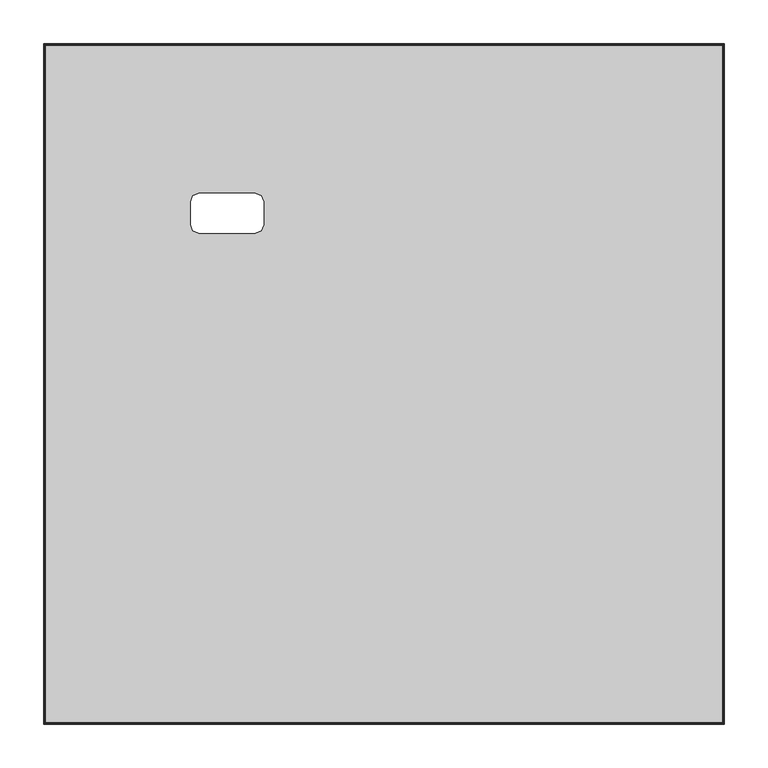
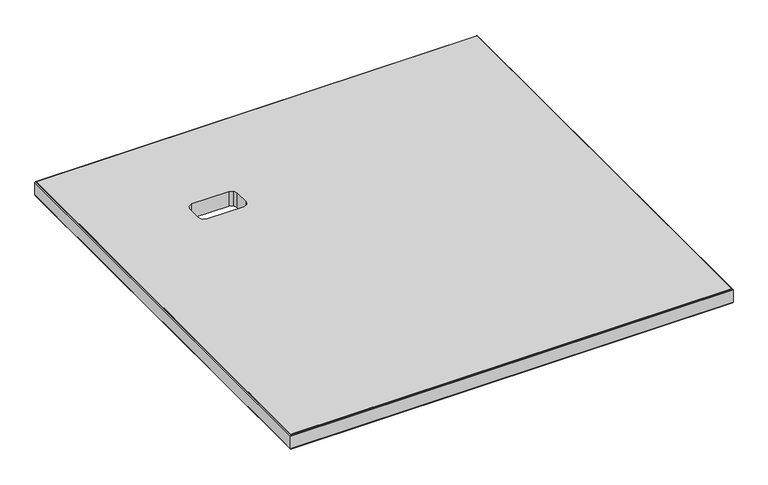
"""IFC4 building model written with IfcOpenShell, lengths in millimetres: furniture geometry."""

import ifcopenshell
import ifcopenshell.guid

model = None  # the IFC model being written
_history = None  # IfcOwnerHistory: only IFC2X3 demands one
_inside = {}  # id of a spatial element -> (the spatial element, [elements in it])
_under = {}  # id of a project, library or spatial element -> (it, [spatial elements below it])
_declared = {}  # id of a project -> (the project, [libraries it declares])
_typed = {}  # id of a type object -> (the type object, [elements of that type])
_made_of = {}  # id of a material, layer set ... -> (it, [elements and type objects made of it])


def new_model(schema):
    """Start an empty IFC model of exactly this schema.

    Asked for "IFC4X3", IfcOpenShell would pick the latest addendum, in which some entities
    have other attributes; the version numbers below select the first issue.
    IFC2X3 requires an IfcOwnerHistory on every rooted entity: one is made here for all.
    """
    global model, _history
    if schema == "IFC4X3":
        model = ifcopenshell.file(schema_version=(4, 3, 0, 0))
    else:
        model = ifcopenshell.file(schema=schema)
    _inside.clear()
    _under.clear()
    _declared.clear()
    _typed.clear()
    _made_of.clear()
    _history = None
    if model.schema == "IFC2X3":
        org = make("IfcOrganization", Name="unknown")
        user = make(
            "IfcPersonAndOrganization",
            ThePerson=make("IfcPerson", FamilyName="unknown"),
            TheOrganization=org,
        )
        app = make(
            "IfcApplication",
            ApplicationDeveloper=org,
            Version="unknown",
            ApplicationFullName="unknown",
            ApplicationIdentifier="unknown",
        )
        _history = make(
            "IfcOwnerHistory",
            OwningUser=user,
            OwningApplication=app,
            ChangeAction="ADDED",
            CreationDate=0,
        )
    return model


def make(cls, **values):
    """One entity of the class cls with the attributes given. An attribute that is None is left unset."""
    return model.create_entity(
        cls, **{name: value for name, value in values.items() if value is not None}
    )


def rooted(cls, **values):
    """An entity with a GlobalId (a new one), such as an element, a storey or a relation."""
    return make(cls, GlobalId=ifcopenshell.guid.new(), OwnerHistory=_history, **values)


def si_unit(unit_type, name, prefix=None):
    """IfcSIUnit, for example si_unit("LENGTHUNIT", "METRE", prefix="MILLI")."""
    return make("IfcSIUnit", UnitType=unit_type, Prefix=prefix, Name=name)


def assignment(units):
    """IfcUnitAssignment: the units of a project."""
    return None if units is None else make("IfcUnitAssignment", Units=units)


def point(xyz):
    """IfcCartesianPoint."""
    return None if xyz is None else make("IfcCartesianPoint", Coordinates=xyz)


def direction(xyz):
    """IfcDirection."""
    return None if xyz is None else make("IfcDirection", DirectionRatios=xyz)


def frame(location, z_axis=None, x_axis=None):
    """IfcAxis2Placement3D, a coordinate frame: its origin and axes. An axis left out is left unset."""
    return make(
        "IfcAxis2Placement3D",
        Location=point(location),
        Axis=direction(z_axis),
        RefDirection=direction(x_axis),
    )


def origin():
    """The frame at (0, 0, 0) with its axes left unset."""
    return frame((0.0, 0.0, 0.0))


def place(relative_to, where):
    """IfcLocalPlacement: puts the frame where relative to a parent placement (None: the world)."""
    return make(
        "IfcLocalPlacement", PlacementRelTo=relative_to, RelativePlacement=where
    )


def context(
    kind, dimensions, precision=None, world=None, true_north=None, identifier=None
):
    """IfcGeometricRepresentationContext, for example the 3D "Model" context."""
    return make(
        "IfcGeometricRepresentationContext",
        ContextIdentifier=identifier,
        ContextType=kind,
        CoordinateSpaceDimension=dimensions,
        Precision=precision,
        WorldCoordinateSystem=world,
        TrueNorth=true_north,
    )


def project(units=None, contexts=None):
    """IfcProject with its units and contexts."""
    return rooted(
        "IfcProject",
        Name="project",
        RepresentationContexts=contexts,
        UnitsInContext=assignment(units),
    )


def spatial(cls, under=None, at=None, **own):
    """A site, building, storey or space (cls), placed at a placement, below another one or the project."""
    s = rooted(cls, ObjectPlacement=at, **own)
    if under is not None:
        _under.setdefault(under.id(), (under, []))[1].append(s)
    return s


def polyline(points):
    """IfcPolyline through the points."""
    return make("IfcPolyline", Points=[point(p) for p in points])


def outline(outer, holes=None, kind="AREA"):
    """IfcArbitraryClosedProfileDef: a profile drawn as a closed curve; with holes, ...WithVoids."""
    if holes is None:
        return make("IfcArbitraryClosedProfileDef", ProfileType=kind, OuterCurve=outer)
    return make(
        "IfcArbitraryProfileDefWithVoids",
        ProfileType=kind,
        OuterCurve=outer,
        InnerCurves=holes,
    )


def extrude(swept, where, along, depth):
    """IfcExtrudedAreaSolid: the profile swept, set in the frame where, extruded along a direction by depth."""
    return make(
        "IfcExtrudedAreaSolid",
        SweptArea=swept,
        Position=where,
        ExtrudedDirection=direction(along),
        Depth=depth,
    )


def faces_of(points, faces, orient=None, outer=None):
    """IfcFace entities. A face is a list of loops; a loop is a list of indices into points, from 0.

    orient and outer hold one flag for each loop. By default every Orientation is true, the
    first loop of a face is its IfcFaceOuterBound and the others are IfcFaceBound.
    """
    made = []
    for i, loops in enumerate(faces):
        bounds = []
        for j, loop in enumerate(loops):
            is_outer = j == 0 if outer is None else outer[i][j]
            bounds.append(
                make(
                    "IfcFaceOuterBound" if is_outer else "IfcFaceBound",
                    Bound=make("IfcPolyLoop", Polygon=[points[k] for k in loop]),
                    Orientation=True if orient is None else orient[i][j],
                )
            )
        made.append(make("IfcFace", Bounds=bounds))
    return made


def faceted_brep(points, faces, orient=None, outer=None, voids=None):
    """IfcFacetedBrep: a solid bounded by flat faces; with voids (closed shells), ...WithVoids."""
    shared = [point(p) for p in points]
    hull = make("IfcClosedShell", CfsFaces=faces_of(shared, faces, orient, outer))
    if voids is None:
        return make("IfcFacetedBrep", Outer=hull)
    return make(
        "IfcFacetedBrepWithVoids",
        Outer=hull,
        Voids=[
            make(cls, CfsFaces=faces_of(shared, fs, o, b)) for cls, fs, o, b in voids
        ],
    )


def shape(context_of_items, identifier, shape_type, items):
    """IfcShapeRepresentation: the items that make up one representation, for example the "Body"."""
    return make(
        "IfcShapeRepresentation",
        ContextOfItems=context_of_items,
        RepresentationIdentifier=identifier,
        RepresentationType=shape_type,
        Items=items,
    )


def source(mapping_origin, context_of_items, identifier, shape_type, items):
    """IfcRepresentationMap: a shape defined once, which mapped items show again and again."""
    return make(
        "IfcRepresentationMap",
        MappingOrigin=mapping_origin,
        MappedRepresentation=shape(context_of_items, identifier, shape_type, items),
    )


def transform(
    local_origin,
    x_axis=None,
    y_axis=None,
    z_axis=None,
    scale=None,
    scale2=None,
    scale3=None,
    uniform=True,
):
    """IfcCartesianTransformationOperator3D, or its non-uniform kind. x_axis, y_axis, z_axis: its Axis1, 2, 3."""
    if uniform:
        return make(
            "IfcCartesianTransformationOperator3D",
            Axis1=direction(x_axis),
            Axis2=direction(y_axis),
            LocalOrigin=point(local_origin),
            Scale=scale,
            Axis3=direction(z_axis),
        )
    return make(
        "IfcCartesianTransformationOperator3DnonUniform",
        Axis1=direction(x_axis),
        Axis2=direction(y_axis),
        LocalOrigin=point(local_origin),
        Scale=scale,
        Axis3=direction(z_axis),
        Scale2=scale2,
        Scale3=scale3,
    )


def mapped(mapping_source, mapping_target):
    """IfcMappedItem: shows the shape of a source again, moved by a transform."""
    return make(
        "IfcMappedItem", MappingSource=mapping_source, MappingTarget=mapping_target
    )


def made_of(thing, what):
    """Note that an element or type object is made of a material, layer set ...; save() writes the relation."""
    if what is not None:
        _made_of.setdefault(what.id(), (what, []))[1].append(thing)
    return thing


def element(
    cls,
    number,
    at=None,
    inside=None,
    cuts=None,
    type_object=None,
    material=None,
    context=None,
    identifier="Body",
    shape_type=None,
    held_by="IfcProductDefinitionShape",
    body=None,
    shapes=None,
    **own,
):
    """One element of the class cls, such as IfcWall. Its Tag is "e" and its number.

    at: its placement. inside: the storey or other place that contains it. cuts: it is an
    opening in that element (IfcRelVoidsElement). A single representation is given by context,
    identifier, shape_type and body (its items); several are given by shapes. held_by: the class
    of the entity that holds the representations. save() writes the other relations.
    """
    e = rooted(cls, Tag="e%d" % number, ObjectPlacement=at, **own)
    if body is not None:
        shapes = [shape(context, identifier, shape_type, body)]
    if shapes is not None:
        e.Representation = make(held_by, Representations=shapes)
    if inside is not None:
        _inside.setdefault(inside.id(), (inside, []))[1].append(e)
    if cuts is not None:
        rooted(
            "IfcRelVoidsElement", RelatingBuildingElement=cuts, RelatedOpeningElement=e
        )
    if type_object is not None:
        _typed.setdefault(type_object.id(), (type_object, []))[1].append(e)
    return made_of(e, material)


def aggregate(whole, parts):
    """IfcRelAggregates: a whole, such as a stair, and the parts it consists of."""
    return rooted("IfcRelAggregates", RelatingObject=whole, RelatedObjects=parts)


def save(model, path):
    """Write the relations noted so far, then the file.

    IfcRelAggregates (storeys below a building ...), IfcRelContainedInSpatialStructure (elements
    in a storey), IfcRelDefinesByType, IfcRelAssociatesMaterial and IfcRelDeclares: one each for
    every whole, place, type object, material and project.
    """
    for whole, parts in _under.values():
        aggregate(whole, parts)
    for where, things in _inside.values():
        rooted(
            "IfcRelContainedInSpatialStructure",
            RelatedElements=things,
            RelatingStructure=where,
        )
    for kind, things in _typed.values():
        rooted("IfcRelDefinesByType", RelatedObjects=things, RelatingType=kind)
    for what, things in _made_of.values():
        rooted("IfcRelAssociatesMaterial", RelatedObjects=things, RelatingMaterial=what)
    for by, libraries in _declared.values():
        rooted("IfcRelDeclares", RelatingContext=by, RelatedDefinitions=libraries)
    model.write(path)


def furniture_68ffcc63(model_context):
    return source(origin(), model_context, "Body", "SolidModel", [
        extrude(outline(polyline([(824.0333455, 773.8938234), (824.0333455, 2.177796), (52.3174006, 2.177796), (52.3174006, 773.8938234), (824.0333455, 773.8938234)]), holes=[polyline([(291.5946259, 605.2778074), (227.0886544, 605.2778074), (220.3498992, 602.4865236), (217.558629, 595.7478012), (217.558629, 569.3417908), (220.3498992, 562.6030684), (227.0886261, 559.8117963), (291.5946275, 559.8117963), (298.3333544, 562.6030684), (301.124622, 569.3417843), (301.124622, 595.7477932), (298.3333498, 602.486517), (291.5946259, 605.2778074)])]), frame((0.0, 0.0, 711.1999864), z_axis=(0.0, 0.0, 1.0), x_axis=(1.0, 0.0, 0.0)), (0.0, 0.0, 1.0), 26.924),
        faceted_brep([(825.4475033, 775.3079813, 737.5381937), (826.0332961, 775.893774, 736.1240358), (50.31745, 775.893774, 736.1240358), (50.9032427, 775.3079813, 737.5381937), (824.0333455, 773.8938234, 738.1239864), (52.3174006, 773.8938234, 738.1239864), (824.0333455, 773.8938234, 711.1999864), (52.3174006, 773.8938234, 711.1999864), (825.4475033, 775.3079813, 711.7857792), (50.9032427, 775.3079813, 711.7857792), (826.0332961, 775.893774, 713.2000097), (50.31745, 775.893774, 713.2000097), (50.31745, 0.1778454, 736.1240358), (50.9032427, 0.7636382, 737.5381937), (52.3174006, 2.177796, 738.1239864), (52.3174006, 2.177796, 711.1999864), (50.9032427, 0.7636382, 711.7857792), (50.31745, 0.1778454, 713.2000097), (826.0332961, 0.1778454, 736.1240358), (825.4475033, 0.7636382, 737.5381937), (824.0333455, 2.177796, 738.1239864), (824.0333455, 2.177796, 711.1999864), (825.4475033, 0.7636382, 711.7857792), (826.0332961, 0.1778454, 713.2000097)], [[[0, 1, 2, 3]], [[4, 0, 3, 5]], [[6, 4, 5, 7]], [[8, 6, 7, 9]], [[10, 8, 9, 11]], [[1, 10, 11, 2]], [[3, 2, 12, 13]], [[5, 3, 13, 14]], [[7, 5, 14, 15]], [[9, 7, 15, 16]], [[11, 9, 16, 17]], [[2, 11, 17, 12]], [[13, 12, 18, 19]], [[14, 13, 19, 20]], [[15, 14, 20, 21]], [[16, 15, 21, 22]], [[17, 16, 22, 23]], [[12, 17, 23, 18]], [[19, 18, 1, 0]], [[20, 19, 0, 4]], [[21, 20, 4, 6]], [[22, 21, 6, 8]], [[23, 22, 8, 10]], [[18, 23, 10, 1]]]),
    ])


if __name__ == "__main__":
    model = new_model("IFC4")
    model_context = context("Model", 3, world=origin())
    ifc_project = project(units=[si_unit("LENGTHUNIT", "METRE", prefix="MILLI")], contexts=[model_context])
    site = spatial("IfcSite", under=ifc_project)
    building = spatial("IfcBuilding", under=site)
    placement = place(None, origin())
    furniture_shape = furniture_68ffcc63(model_context)
    element("IfcFurniture", 1, at=placement, inside=building, context=model_context, shape_type="MappedRepresentation", body=[
        mapped(furniture_shape, transform((0.0, 0.0, 0.0), x_axis=(1.0, 0.0, 0.0), y_axis=(0.0, 1.0, 0.0), z_axis=(0.0, 0.0, 1.0))),
    ])
    save(model, "model.ifc")
